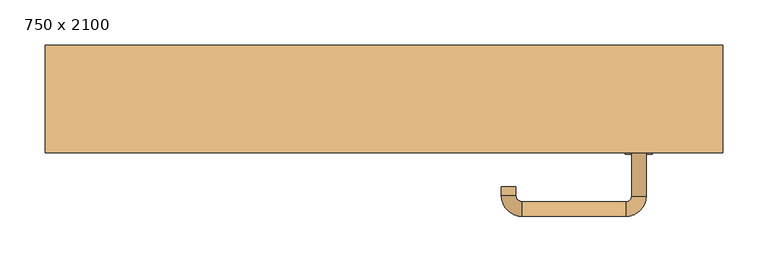
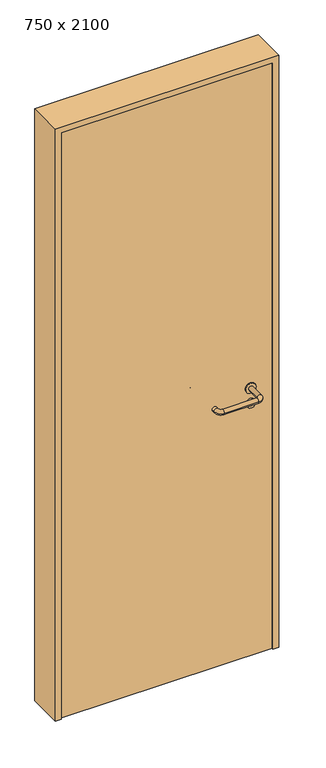
"""IFC4 building model written with IfcOpenShell, lengths in millimetres: door geometry, 750 x 2100."""

from ifc_helpers import new_model, si_unit, point, frame, frame_2d, origin, origin_with_axes, place, context, project, spatial, polyline, circle_curve, ellipse_curve, trimmed, segment, composite_curve, outline, extrude, source, transform, mapped, element, save
from ifc_brep_helpers import plane_surface, cylinder_surface, revolved_surface, advanced_brep


def door_750_x_2100_d4a60db3(model_context):
    return source(origin(), model_context, "Body", "SolidModel", [
        extrude(outline(composite_curve([segment(trimmed(circle_curve(frame_2d((897.3605726, 282.0)), 15.0), [point((897.3605726, 297.0))], [point((897.3605726, 267.0))], False, "CARTESIAN"), True, "CONTINUOUS"), segment(trimmed(circle_curve(frame_2d((897.3605726, 282.0)), 15.0), [point((897.3605726, 267.0))], [point((897.3605726, 297.0))], False, "CARTESIAN"), True, "CONTINUOUS")], self_intersect=False), holes=[composite_curve([segment(trimmed(circle_curve(frame_2d((892.5833211, 281.9398032)), 2.0), [point((892.5833211, 283.9398032))], [point((892.5833211, 279.9398032))], True, "CARTESIAN"), True, "CONTINUOUS"), segment(polyline([(892.5833211, 279.9398032), (902.5833211, 279.9398032)]), True, "CONTINUOUS"), segment(trimmed(circle_curve(frame_2d((902.5833211, 281.9398032)), 2.0), [point((902.5833211, 279.9398032))], [point((902.5833211, 283.9398032))], True, "CARTESIAN"), True, "CONTINUOUS"), segment(polyline([(902.5833211, 283.9398032), (892.5833211, 283.9398032)]), True, "CONTINUOUS")], self_intersect=False)]), frame((0.0, -25.0, 0.0), z_axis=(0.0, 1.0, 0.0), x_axis=(0.0, 0.0, 1.0)), (0.0, 0.0, 1.0), 6.35),
        extrude(outline(composite_curve([segment(trimmed(circle_curve(frame_2d((950.0, 282.0)), 17.526), [point((950.0, 299.526))], [point((950.0, 264.474))], False, "CARTESIAN"), True, "CONTINUOUS"), segment(trimmed(circle_curve(frame_2d((950.0, 282.0)), 17.526), [point((950.0, 264.474))], [point((950.0, 299.526))], False, "CARTESIAN"), True, "CONTINUOUS")], self_intersect=False)), frame((0.0, -25.0, 0.0), z_axis=(0.0, 1.0, 0.0), x_axis=(0.0, 0.0, 1.0)), (0.0, 0.0, 1.0), 3.175),
        advanced_brep(
        [(290.0, -25.0, 950.0), (274.0, -25.0, 950.0), (290.0, 28.0, 950.0), (274.0, 28.0, 950.0), (267.8578644, 34.1421356, 950.0), (267.8578644, 50.1421356, 950.0), (152.8578644, 50.1421356, 950.0), (152.8578644, 34.1421356, 950.0), (146.008622, 27.2928932, 950.0), (130.008622, 27.2928932, 950.0), (130.008622, 17.2928932, 950.0), (146.008622, 17.2928932, 950.0)],
        [
            (0, 1, circle_curve(frame((282.0, -25.0, 950.0), z_axis=(0.0, -1.0, 0.0), x_axis=(-1.0, 0.0, 0.0)), 8.0)),
            (1, 0, circle_curve(frame((282.0, -25.0, 950.0), z_axis=(0.0, -1.0, 0.0), x_axis=(-1.0, 0.0, 0.0)), 8.0)),
            (0, 2),
            (2, 3, circle_curve(frame((282.0, 28.0, 950.0), z_axis=(0.0, -1.0, 0.0), x_axis=(-1.0, 0.0, 0.0)), 8.0)),
            (3, 1),
            (3, 2, circle_curve(frame((282.0, 28.0, 950.0), z_axis=(0.0, -1.0, 0.0), x_axis=(-1.0, 0.0, 0.0)), 8.0)),
            (4, 3, circle_curve(frame((267.8578644, 28.0, 950.0), z_axis=(0.0, 0.0, -1.0), x_axis=(1.0, 0.0, 0.0)), 6.1421356)),
            (2, 5, circle_curve(frame((267.8578644, 28.0, 950.0), z_axis=(0.0, 0.0, 1.0), x_axis=(1.0, 0.0, 0.0)), 22.1421356)),
            (5, 4, circle_curve(frame((267.8578644, 42.1421356, 950.0), z_axis=(1.0, 0.0, 0.0), x_axis=(0.0, -1.0, 0.0)), 8.0)),
            (4, 5, circle_curve(frame((267.8578644, 42.1421356, 950.0), z_axis=(1.0, 0.0, 0.0), x_axis=(0.0, -1.0, 0.0)), 8.0)),
            (5, 6),
            (6, 7, circle_curve(frame((152.8578644, 42.1421356, 950.0), z_axis=(1.0, 0.0, 0.0), x_axis=(0.0, -1.0, 0.0)), 8.0)),
            (7, 4),
            (7, 6, circle_curve(frame((152.8578644, 42.1421356, 950.0), z_axis=(1.0, 0.0, 0.0), x_axis=(0.0, -1.0, 0.0)), 8.0)),
            (8, 7, circle_curve(frame((152.8578644, 27.2928932, 950.0), z_axis=(0.0, 0.0, -1.0), x_axis=(0.0, 1.0, 0.0)), 6.8492424)),
            (6, 9, circle_curve(frame((152.8578644, 27.2928932, 950.0), z_axis=(0.0, 0.0, 1.0), x_axis=(0.0, 1.0, 0.0)), 22.8492424)),
            (9, 8, circle_curve(frame((138.008622, 27.2928932, 950.0), z_axis=(0.0, 1.0, 0.0), x_axis=(1.0, 0.0, 0.0)), 8.0)),
            (8, 9, circle_curve(frame((138.008622, 27.2928932, 950.0), z_axis=(0.0, 1.0, 0.0), x_axis=(1.0, 0.0, 0.0)), 8.0)),
            (10, 11, circle_curve(frame((138.008622, 17.2928932, 950.0), z_axis=(0.0, -1.0, 0.0), x_axis=(1.0, 0.0, 0.0)), 8.0)),
            (11, 10, circle_curve(frame((138.008622, 17.2928932, 950.0), z_axis=(0.0, -1.0, 0.0), x_axis=(1.0, 0.0, 0.0)), 8.0)),
            (9, 10),
            (11, 8),
        ],
        [
            plane_surface(frame((282.0, -25.0, 0.0), z_axis=(0.0, -1.0, 0.0), x_axis=(0.0, 0.0, 1.0))),
            cylinder_surface(frame((282.0, -25.0, 950.0), z_axis=(0.0, -1.0, 0.0), x_axis=(-1.0, 0.0, 0.0)), 8.0),
            revolved_surface(trimmed(ellipse_curve(frame((282.0, 28.0, 950.0), z_axis=(0.0, -1.0, 0.0), x_axis=(-1.0, 0.0, 0.0)), 8.0, 8.0), [point((290.0, 28.0, 950.0))], [point((274.0, 28.0, 950.0))], True, "CARTESIAN"), (267.8578644, 28.0, 0.0), (0.0, 0.0, 1.0)),
            revolved_surface(trimmed(ellipse_curve(frame((282.0, 28.0, 950.0), z_axis=(0.0, -1.0, 0.0), x_axis=(-1.0, 0.0, 0.0)), 8.0, 8.0), [point((274.0, 28.0, 950.0))], [point((290.0, 28.0, 950.0))], True, "CARTESIAN"), (267.8578644, 28.0, 0.0), (0.0, 0.0, 1.0)),
            cylinder_surface(frame((267.8578644, 42.1421356, 950.0), z_axis=(1.0, 0.0, 0.0), x_axis=(0.0, -1.0, 0.0)), 8.0),
            revolved_surface(trimmed(ellipse_curve(frame((152.8578644, 42.1421356, 950.0), z_axis=(1.0, 0.0, 0.0), x_axis=(0.0, -1.0, 0.0)), 8.0, 8.0), [point((152.8578644, 50.1421356, 950.0))], [point((152.8578644, 34.1421356, 950.0))], True, "CARTESIAN"), (152.8578644, 27.2928932, 0.0), (0.0, 0.0, 1.0)),
            revolved_surface(trimmed(ellipse_curve(frame((152.8578644, 42.1421356, 950.0), z_axis=(1.0, 0.0, 0.0), x_axis=(0.0, -1.0, 0.0)), 8.0, 8.0), [point((152.8578644, 34.1421356, 950.0))], [point((152.8578644, 50.1421356, 950.0))], True, "CARTESIAN"), (152.8578644, 27.2928932, 0.0), (0.0, 0.0, 1.0)),
            plane_surface(frame((138.008622, 17.2928932, 0.0), z_axis=(0.0, -1.0, 0.0), x_axis=(0.0, 0.0, 1.0))),
            cylinder_surface(frame((138.008622, 27.2928932, 950.0), z_axis=(0.0, 1.0, 0.0), x_axis=(1.0, 0.0, 0.0)), 8.0),
        ],
        [
            (0, [[1, 2]]),
            (1, [[-1, 3, 4, 5]]),
            (1, [[-2, -5, 6, -3]]),
            (2, [[7, -4, 8, 9]]),
            (3, [[-8, -6, -7, 10]]),
            (4, [[-9, 11, 12, 13]]),
            (4, [[-10, -13, 14, -11]]),
            (5, [[15, -12, 16, 17]]),
            (6, [[-16, -14, -15, 18]]),
            (7, [[19, 20]]),
            (8, [[-17, 21, -20, 22]]),
            (8, [[-18, -22, -19, -21]]),
        ],
    ),
        extrude(outline(composite_curve([segment(trimmed(circle_curve(frame_2d((0.0, 15.0)), 15.0), [point((0.0, 30.0))], [point((0.0, 0.0))], False, "CARTESIAN"), True, "CONTINUOUS"), segment(trimmed(circle_curve(frame_2d((0.0, 15.0)), 15.0), [point((0.0, 0.0))], [point((0.0, 30.0))], False, "CARTESIAN"), True, "CONTINUOUS")], self_intersect=False), holes=[composite_curve([segment(trimmed(circle_curve(frame_2d((-4.7772515, 14.9398032)), 2.0), [point((-4.7772515, 16.9398032))], [point((-4.7772515, 12.9398032))], True, "CARTESIAN"), True, "CONTINUOUS"), segment(polyline([(-4.7772515, 12.9398032), (5.2227485, 12.9398032)]), True, "CONTINUOUS"), segment(trimmed(circle_curve(frame_2d((5.2227485, 14.9398032)), 2.0), [point((5.2227485, 12.9398032))], [point((5.2227485, 16.9398032))], True, "CARTESIAN"), True, "CONTINUOUS"), segment(polyline([(5.2227485, 16.9398032), (-4.7772515, 16.9398032)]), True, "CONTINUOUS")], self_intersect=False)]), frame((267.0, -61.35, 897.3605726), z_axis=(-1.8870575173328306e-12, 1.0, 0.0), x_axis=(0.0, 0.0, 1.0)), (0.0, 0.0, 1.0), 6.35),
        extrude(outline(composite_curve([segment(trimmed(circle_curve(frame_2d((0.0, 17.526)), 17.526), [point((0.0, 35.052))], [point((0.0, 0.0))], False, "CARTESIAN"), True, "CONTINUOUS"), segment(trimmed(circle_curve(frame_2d((0.0, 17.526)), 17.526), [point((0.0, 0.0))], [point((0.0, 35.052))], False, "CARTESIAN"), True, "CONTINUOUS")], self_intersect=False)), frame((264.474, -58.175, 950.0), z_axis=(-1.8870575173328306e-12, 1.0, 0.0), x_axis=(0.0, 0.0, 1.0)), (0.0, 0.0, 1.0), 3.175),
        advanced_brep(
        [(290.0, -55.0, 950.0), (274.0, -55.0, 950.0), (274.0, -108.0, 950.0), (290.0, -108.0, 950.0), (267.8578644, -114.1421356, 950.0), (267.8578644, -130.1421356, 950.0), (152.8578644, -114.1421356, 950.0), (152.8578644, -130.1421356, 950.0), (146.008622, -107.2928932, 950.0), (130.008622, -107.2928932, 950.0), (130.008622, -97.2928932, 950.0), (146.008622, -97.2928932, 950.0)],
        [
            (0, 1, circle_curve(frame((282.0, -55.0, 950.0), z_axis=(-1.888672253512351e-12, 1.0, 0.0), x_axis=(-1.0, -1.888672253512351e-12, 0.0)), 8.0)),
            (1, 0, circle_curve(frame((282.0, -55.0, 950.0), z_axis=(-1.888672253512351e-12, 1.0, 0.0), x_axis=(-1.0, -1.888672253512351e-12, 0.0)), 8.0)),
            (1, 2),
            (2, 3, circle_curve(frame((282.0, -108.0, 950.0), z_axis=(-1.888672253512351e-12, 1.0, 0.0), x_axis=(-1.0, -1.888672253512351e-12, 0.0)), 8.0)),
            (3, 0),
            (3, 2, circle_curve(frame((282.0, -108.0, 950.0), z_axis=(-1.888672253512351e-12, 1.0, 0.0), x_axis=(-1.0, -1.888672253512351e-12, 0.0)), 8.0)),
            (4, 5, circle_curve(frame((267.8578644, -122.1421356, 950.0), z_axis=(1.0, 1.913702061528922e-12, 0.0), x_axis=(-1.913702061528922e-12, 1.0, 0.0)), 8.0)),
            (5, 3, circle_curve(frame((267.8578644, -108.0, 950.0), z_axis=(0.0, 0.0, 1.0), x_axis=(1.0, 1.880717803715015e-12, 0.0)), 22.1421356)),
            (2, 4, circle_curve(frame((267.8578644, -108.0, 950.0), z_axis=(0.0, 0.0, -1.0), x_axis=(1.0, 1.880717803715015e-12, 0.0)), 6.1421356)),
            (5, 4, circle_curve(frame((267.8578644, -122.1421356, 950.0), z_axis=(1.0, 1.913702061528922e-12, 0.0), x_axis=(-1.913702061528922e-12, 1.0, 0.0)), 8.0)),
            (4, 6),
            (6, 7, circle_curve(frame((152.8578644, -122.1421356, 950.0), z_axis=(1.0, 1.913719828541269e-12, 0.0), x_axis=(-1.913719828541269e-12, 1.0, 0.0)), 8.0)),
            (7, 5),
            (7, 6, circle_curve(frame((152.8578644, -122.1421356, 950.0), z_axis=(1.0, 1.913719828541269e-12, 0.0), x_axis=(-1.913719828541269e-12, 1.0, 0.0)), 8.0)),
            (8, 9, circle_curve(frame((138.008622, -107.2928932, 950.0), z_axis=(1.8888942981172756e-12, -1.0, 0.0), x_axis=(1.0, 1.8888942981172756e-12, 0.0)), 8.0)),
            (9, 7, circle_curve(frame((152.8578644, -107.2928932, 950.0), z_axis=(0.0, 0.0, 1.0), x_axis=(1.9120873253494017e-12, -1.0, 0.0)), 22.8492424)),
            (6, 8, circle_curve(frame((152.8578644, -107.2928932, 950.0), z_axis=(0.0, 0.0, -1.0), x_axis=(1.9120873253494017e-12, -1.0, 0.0)), 6.8492424)),
            (9, 8, circle_curve(frame((138.008622, -107.2928932, 950.0), z_axis=(1.890448610351751e-12, -1.0, 0.0), x_axis=(1.0, 1.890448610351751e-12, 0.0)), 8.0)),
            (10, 11, circle_curve(frame((138.008622, -97.2928932, 950.0), z_axis=(-1.8903642334018795e-12, 1.0, 0.0), x_axis=(1.0, 1.8903642334018795e-12, 0.0)), 8.0)),
            (11, 10, circle_curve(frame((138.008622, -97.2928932, 950.0), z_axis=(-1.8903642334018795e-12, 1.0, 0.0), x_axis=(1.0, 1.8903642334018795e-12, 0.0)), 8.0)),
            (8, 11),
            (10, 9),
        ],
        [
            plane_surface(frame((282.0, -55.0, 0.0), z_axis=(-1.8870575173328306e-12, 1.0, 0.0), x_axis=(0.0, 0.0, 1.0))),
            cylinder_surface(frame((282.0, -55.0, 950.0), z_axis=(-1.888672253512351e-12, 1.0, 0.0), x_axis=(-1.0, -1.888672253512351e-12, 0.0)), 8.0),
            revolved_surface(trimmed(ellipse_curve(frame((282.0, -108.0, 950.0), z_axis=(1.8823325398945356e-12, -1.0, 0.0), x_axis=(-1.0, -1.8823325398945356e-12, 0.0)), 8.0, 8.0), [point((290.0, -108.0, 950.0))], [point((274.0, -108.0, 950.0))], True, "CARTESIAN"), (267.8578644, -108.0, 0.0), (0.0, 0.0, 1.0)),
            revolved_surface(trimmed(ellipse_curve(frame((282.0, -108.0, 950.0), z_axis=(1.8823325398945356e-12, -1.0, 0.0), x_axis=(-1.0, -1.8823325398945356e-12, 0.0)), 8.0, 8.0), [point((274.0, -108.0, 950.0))], [point((290.0, -108.0, 950.0))], True, "CARTESIAN"), (267.8578644, -108.0, 0.0), (0.0, 0.0, 1.0)),
            cylinder_surface(frame((267.8578644, -122.1421356, 950.0), z_axis=(1.0, 1.913719828541269e-12, 0.0), x_axis=(-1.913719828541269e-12, 1.0, 0.0)), 8.0),
            revolved_surface(trimmed(ellipse_curve(frame((152.8578644, -122.1421356, 950.0), z_axis=(-1.0, -1.913702061528922e-12, 0.0), x_axis=(-1.913702061528922e-12, 1.0, 0.0)), 8.0, 8.0), [point((152.8578644, -130.1421356, 950.0))], [point((152.8578644, -114.1421356, 950.0))], True, "CARTESIAN"), (152.8578644, -107.2928932, 0.0), (0.0, 0.0, 1.0)),
            revolved_surface(trimmed(ellipse_curve(frame((152.8578644, -122.1421356, 950.0), z_axis=(-1.0, -1.913702061528922e-12, 0.0), x_axis=(-1.913702061528922e-12, 1.0, 0.0)), 8.0, 8.0), [point((152.8578644, -114.1421356, 950.0))], [point((152.8578644, -130.1421356, 950.0))], True, "CARTESIAN"), (152.8578644, -107.2928932, 0.0), (0.0, 0.0, 1.0)),
            plane_surface(frame((138.008622, -97.2928932, 0.0), z_axis=(-1.8887494972223595e-12, 1.0, 0.0), x_axis=(0.0, 0.0, 1.0))),
            cylinder_surface(frame((138.008622, -107.2928932, 950.0), z_axis=(1.8903642334018795e-12, -1.0, 0.0), x_axis=(1.0, 1.8903642334018795e-12, 0.0)), 8.0),
        ],
        [
            (0, [[1, 2]]),
            (1, [[3, 4, 5, -2]]),
            (1, [[-5, 6, -3, -1]]),
            (2, [[7, 8, -4, 9]]),
            (3, [[10, -9, -6, -8]]),
            (4, [[11, 12, 13, -7]]),
            (4, [[-13, 14, -11, -10]]),
            (5, [[15, 16, -12, 17]]),
            (6, [[18, -17, -14, -16]]),
            (7, [[19, 20]]),
            (8, [[21, -19, 22, -15]]),
            (8, [[-22, -20, -21, -18]]),
        ],
    ),
        extrude(outline(polyline([(2080.0, 355.0), (0.0, 355.0), (0.0, 375.0), (2100.0, 375.0), (2100.0, -375.0), (0.0, -375.0), (0.0, -355.0), (2080.0, -355.0), (2080.0, 355.0)])), frame((0.0, -60.0, 0.0), z_axis=(0.0, 1.0, 0.0), x_axis=(0.0, 0.0, 1.0)), (0.0, 0.0, 1.0), 119.0),
        extrude(outline(polyline([(-355.0, -55.0), (-355.0, -25.0), (355.0, -25.0), (355.0, -55.0), (-355.0, -55.0)])), origin_with_axes(), (0.0, 0.0, 1.0), 2080.0),
    ])


if __name__ == "__main__":
    model = new_model("IFC4")
    model_context = context("Model", 3, world=origin())
    ifc_project = project(units=[si_unit("LENGTHUNIT", "METRE", prefix="MILLI")], contexts=[model_context])
    site = spatial("IfcSite", under=ifc_project)
    building = spatial("IfcBuilding", under=site)
    placement = place(None, origin())
    door_750_x_2100_shape = door_750_x_2100_d4a60db3(model_context)
    element("IfcDoor", 1, ObjectType="750 x 2100", at=placement, inside=building, context=model_context, shape_type="MappedRepresentation", body=[
        mapped(door_750_x_2100_shape, transform((0.0, 0.0, 0.0), x_axis=(1.0, 0.0, 0.0), y_axis=(0.0, 1.0, 0.0), z_axis=(0.0, 0.0, 1.0))),
    ])
    save(model, "model.ifc")
